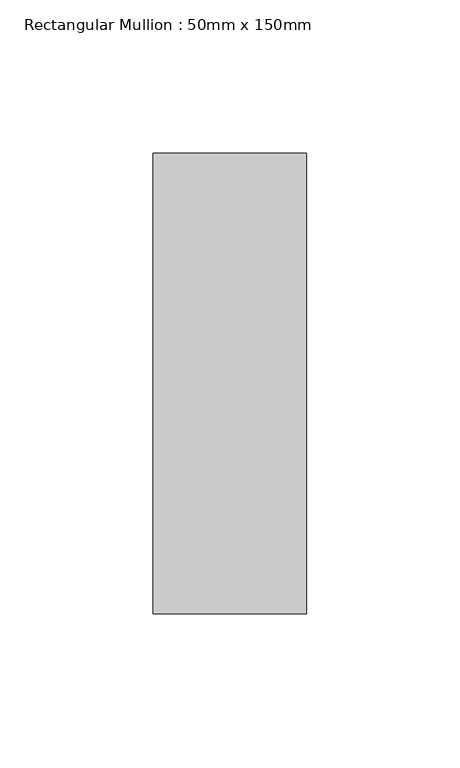
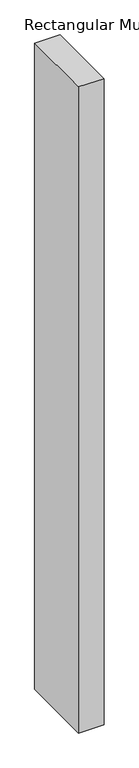
"""IFC4 building model written with IfcOpenShell, lengths in millimetres: member geometry, Rectangular Mullion : 50mm x 150mm."""

from ifc_helpers import new_model, si_unit, frame, origin, place, context, project, spatial, polyline, outline, extrude, source, transform, mapped, element, save


def rectangular_mullion_50mm_x_150mm_5757bc8f(model_context):
    return source(origin(), model_context, "Body", "SweptSolid", [
        extrude(outline(polyline([(0.0, 75.0), (0.0, -75.0), (-50.0, -75.0), (-50.0, 75.0), (0.0, 75.0)])), frame((0.0, 0.0, -1347.8571428), z_axis=(0.0, 0.0, 1.0), x_axis=(1.0, 0.0, 0.0)), (0.0, 0.0, 1.0), 1347.8571428),
    ])


if __name__ == "__main__":
    model = new_model("IFC4")
    model_context = context("Model", 3, world=origin())
    ifc_project = project(units=[si_unit("LENGTHUNIT", "METRE", prefix="MILLI")], contexts=[model_context])
    site = spatial("IfcSite", under=ifc_project)
    building = spatial("IfcBuilding", under=site)
    placement = place(None, origin())
    rectangular_mullion_50mm_x_150mm_shape = rectangular_mullion_50mm_x_150mm_5757bc8f(model_context)
    element("IfcMember", 1, ObjectType="Rectangular Mullion : 50mm x 150mm", at=placement, inside=building, context=model_context, shape_type="MappedRepresentation", body=[
        mapped(rectangular_mullion_50mm_x_150mm_shape, transform((0.0, 0.0, 0.0), x_axis=(1.0, 0.0, 0.0), y_axis=(0.0, 1.0, 0.0), z_axis=(0.0, 0.0, 1.0))),
    ])
    save(model, "model.ifc")
